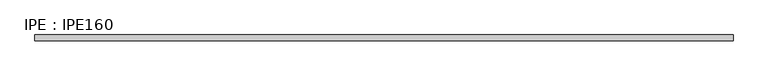
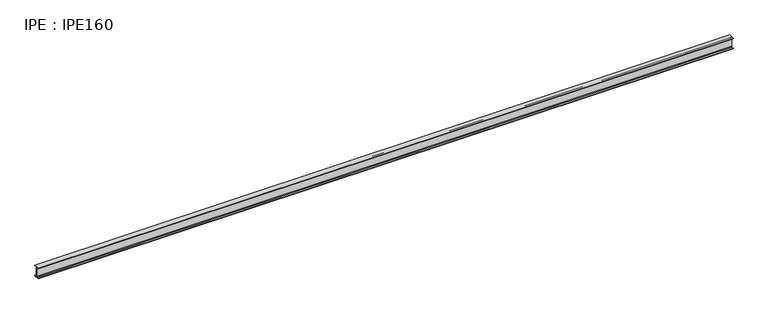
"""IFC4 building model written with IfcOpenShell, lengths in millimetres: beam geometry, IPE : IPE160."""

from ifc_helpers import new_model, si_unit, point, frame, frame_2d, origin, place, context, project, spatial, polyline, circle_curve, trimmed, segment, composite_curve, outline, extrude, source, transform, mapped, element, save


def ipe_ipe160_3793dd12(model_context):
    return source(origin(), model_context, "Body", "SweptSolid", [
        extrude(outline(composite_curve([segment(polyline([(41.0, -72.6), (41.0, -80.0), (-41.0, -80.0), (-41.0, -72.6), (-11.5, -72.6)]), True, "CONTINUOUS"), segment(trimmed(circle_curve(frame_2d((-11.5, -63.6)), 9.0), [point((-11.5, -72.6))], [point((-2.5, -63.6))], True, "CARTESIAN"), True, "CONTINUOUS"), segment(polyline([(-2.5, -63.6), (-2.5, 63.6)]), True, "CONTINUOUS"), segment(trimmed(circle_curve(frame_2d((-11.5, 63.6)), 9.0), [point((-2.5, 63.6))], [point((-11.5, 72.6))], True, "CARTESIAN"), True, "CONTINUOUS"), segment(polyline([(-11.5, 72.6), (-41.0, 72.6), (-41.0, 80.0), (41.0, 80.0), (41.0, 72.6), (11.5, 72.6)]), True, "CONTINUOUS"), segment(trimmed(circle_curve(frame_2d((11.5, 63.6)), 9.0), [point((11.5, 72.6))], [point((2.5, 63.6))], True, "CARTESIAN"), True, "CONTINUOUS"), segment(polyline([(2.5, 63.6), (2.5, -63.6)]), True, "CONTINUOUS"), segment(trimmed(circle_curve(frame_2d((11.5, -63.6)), 9.0), [point((2.5, -63.6))], [point((11.5, -72.6))], True, "CARTESIAN"), True, "CONTINUOUS"), segment(polyline([(11.5, -72.6), (41.0, -72.6)]), True, "CONTINUOUS")], self_intersect=False)), frame((-4987.2, 0.0, 0.0), z_axis=(1.0, 0.0, 0.0), x_axis=(0.0, 1.0, 0.0)), (0.0, 0.0, 1.0), 9987.2),
    ])


if __name__ == "__main__":
    model = new_model("IFC4")
    model_context = context("Model", 3, world=origin())
    ifc_project = project(units=[si_unit("LENGTHUNIT", "METRE", prefix="MILLI")], contexts=[model_context])
    site = spatial("IfcSite", under=ifc_project)
    building = spatial("IfcBuilding", under=site)
    placement = place(None, origin())
    ipe_ipe160_shape = ipe_ipe160_3793dd12(model_context)
    element("IfcBeam", 1, ObjectType="IPE : IPE160", at=placement, inside=building, context=model_context, shape_type="MappedRepresentation", body=[
        mapped(ipe_ipe160_shape, transform((0.0, 0.0, 0.0), x_axis=(1.0, 0.0, 0.0), y_axis=(0.0, 1.0, 0.0), z_axis=(0.0, 0.0, 1.0))),
    ])
    save(model, "model.ifc")
